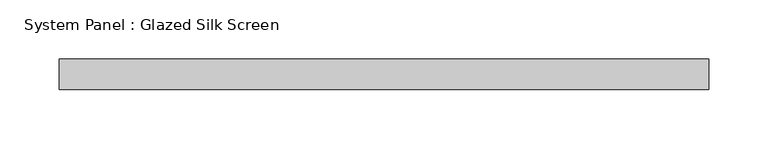
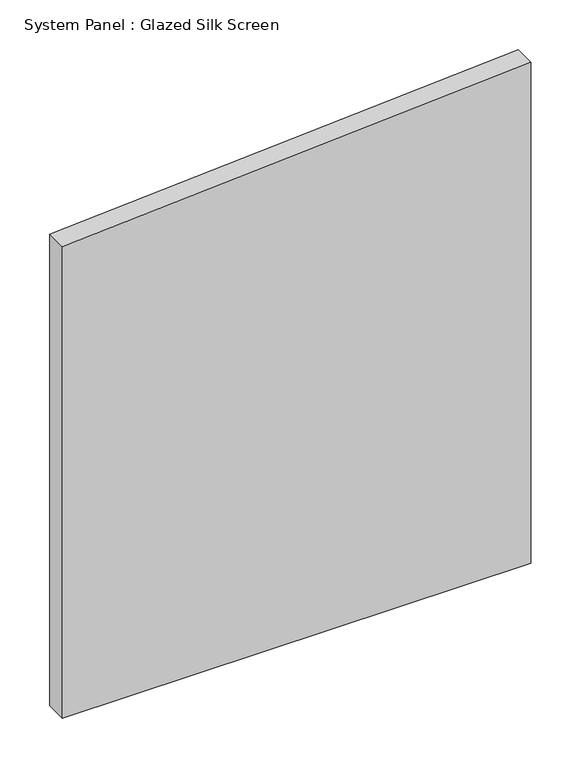
"""IFC4 building model written with IfcOpenShell, lengths in millimetres: plate geometry, System Panel : Glazed Silk Screen."""

from ifc_helpers import new_model, si_unit, frame, origin, place, context, project, spatial, polyline, outline, extrude, source, transform, mapped, element, save


def system_panel_glazed_silk_screen_8f55b64d(model_context):
    return source(origin(), model_context, "Body", "SweptSolid", [
        extrude(outline(polyline([(0.0, -273.05), (0.0, 273.05), (617.0983896, 273.05), (581.0491511, -273.05), (0.0, -273.05)])), frame((0.0, 19.05, 0.0), z_axis=(0.0, 1.0, 0.0), x_axis=(0.0, 0.0, 1.0)), (0.0, 0.0, 1.0), 25.4),
    ])


if __name__ == "__main__":
    model = new_model("IFC4")
    model_context = context("Model", 3, world=origin())
    ifc_project = project(units=[si_unit("LENGTHUNIT", "METRE", prefix="MILLI")], contexts=[model_context])
    site = spatial("IfcSite", under=ifc_project)
    building = spatial("IfcBuilding", under=site)
    placement = place(None, origin())
    system_panel_glazed_silk_screen_shape = system_panel_glazed_silk_screen_8f55b64d(model_context)
    element("IfcPlate", 1, ObjectType="System Panel : Glazed Silk Screen", at=placement, inside=building, context=model_context, shape_type="MappedRepresentation", body=[
        mapped(system_panel_glazed_silk_screen_shape, transform((0.0, 0.0, 0.0), x_axis=(1.0, 0.0, 0.0), y_axis=(0.0, 1.0, 0.0), z_axis=(0.0, 0.0, 1.0))),
    ])
    save(model, "model.ifc")
